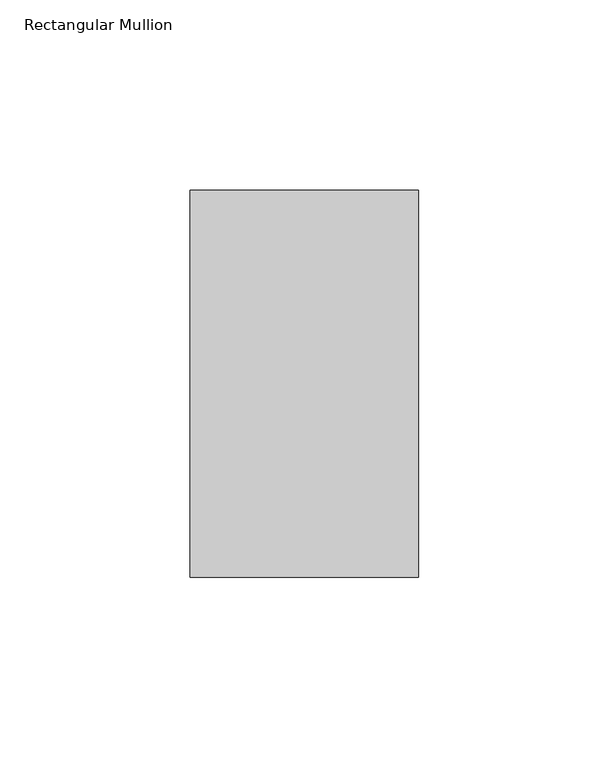
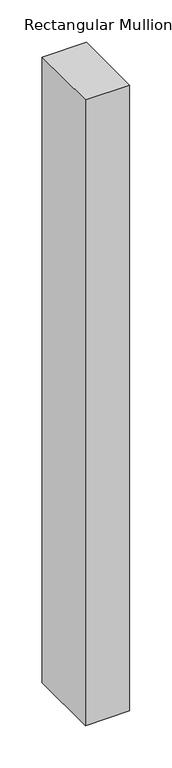
"""IFC4 building model written with IfcOpenShell, lengths in millimetres: member geometry, Rectangular Mullion."""

from ifc_helpers import new_model, si_unit, frame, origin, place, context, project, spatial, polyline, outline, extrude, source, transform, mapped, element, save


def rectangular_mullion_bef1830f(model_context):
    return source(origin(), model_context, "Body", "SweptSolid", [
        extrude(outline(polyline([(0.0, 50.8), (0.0, -50.8), (-60.0, -50.8), (-60.0, 50.8), (0.0, 50.8)])), frame((0.0, 0.0, -900.0), z_axis=(0.0, 0.0, 1.0), x_axis=(1.0, 0.0, 0.0)), (0.0, 0.0, 1.0), 900.0),
    ])


if __name__ == "__main__":
    model = new_model("IFC4")
    model_context = context("Model", 3, world=origin())
    ifc_project = project(units=[si_unit("LENGTHUNIT", "METRE", prefix="MILLI")], contexts=[model_context])
    site = spatial("IfcSite", under=ifc_project)
    building = spatial("IfcBuilding", under=site)
    placement = place(None, origin())
    rectangular_mullion_shape = rectangular_mullion_bef1830f(model_context)
    element("IfcMember", 1, ObjectType="Rectangular Mullion", at=placement, inside=building, context=model_context, shape_type="MappedRepresentation", body=[
        mapped(rectangular_mullion_shape, transform((0.0, 0.0, 0.0), x_axis=(1.0, 0.0, 0.0), y_axis=(0.0, 1.0, 0.0), z_axis=(0.0, 0.0, 1.0))),
    ])
    save(model, "model.ifc")
